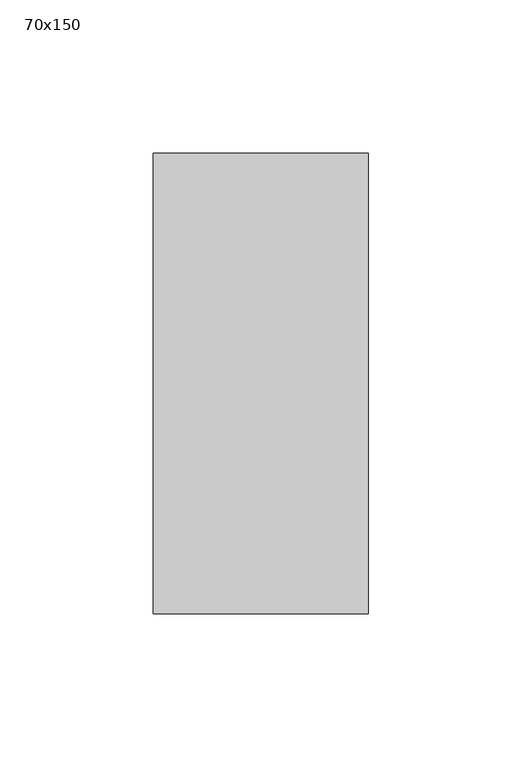
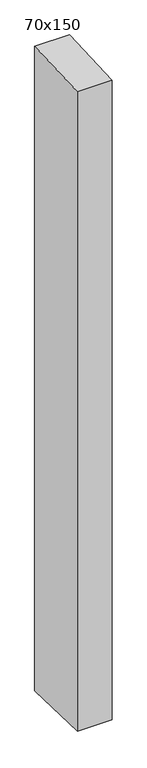
"""IFC4 building model written with IfcOpenShell, lengths in millimetres: member geometry, 70x150."""

from ifc_helpers import new_model, si_unit, frame, origin, place, context, project, spatial, polyline, outline, extrude, source, transform, mapped, element, save


def member_70x150_12938b65(model_context):
    return source(origin(), model_context, "Body", "SweptSolid", [
        extrude(outline(polyline([(-75.0, -3.0352512), (75.0, 3.0352512), (75.0, -1374.7031681), (-75.0, -1370.9848117), (-75.0, -3.0352512)])), frame((-70.0, 0.0, 0.0), z_axis=(1.0, 0.0, 0.0), x_axis=(0.0, 1.0, 0.0)), (0.0, 0.0, 1.0), 70.0),
    ])


if __name__ == "__main__":
    model = new_model("IFC4")
    model_context = context("Model", 3, world=origin())
    ifc_project = project(units=[si_unit("LENGTHUNIT", "METRE", prefix="MILLI")], contexts=[model_context])
    site = spatial("IfcSite", under=ifc_project)
    building = spatial("IfcBuilding", under=site)
    placement = place(None, origin())
    member_70x150_shape = member_70x150_12938b65(model_context)
    element("IfcMember", 1, ObjectType="70x150", at=placement, inside=building, context=model_context, shape_type="MappedRepresentation", body=[
        mapped(member_70x150_shape, transform((0.0, 0.0, 0.0), x_axis=(1.0, 0.0, 0.0), y_axis=(0.0, 1.0, 0.0), z_axis=(0.0, 0.0, 1.0))),
    ])
    save(model, "model.ifc")
